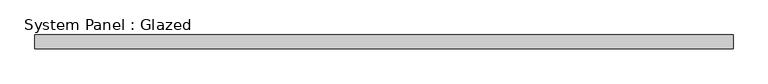
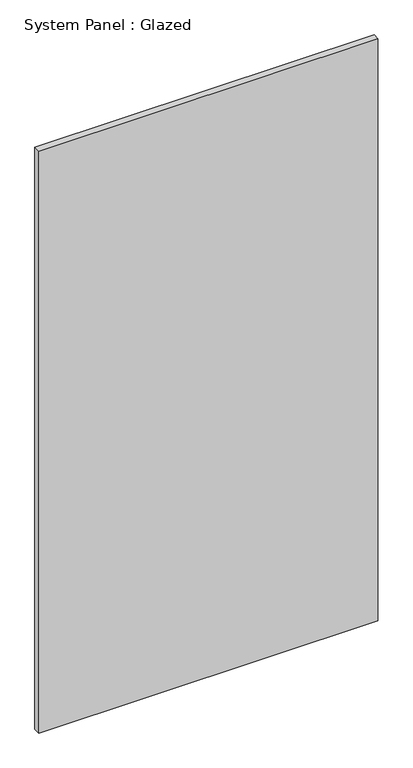
"""IFC4 building model written with IfcOpenShell, lengths in millimetres: plate geometry, System Panel : Glazed."""

import ifcopenshell
import ifcopenshell.guid

model = None  # the IFC model being written
_history = None  # IfcOwnerHistory: only IFC2X3 demands one
_inside = {}  # id of a spatial element -> (the spatial element, [elements in it])
_under = {}  # id of a project, library or spatial element -> (it, [spatial elements below it])
_declared = {}  # id of a project -> (the project, [libraries it declares])
_typed = {}  # id of a type object -> (the type object, [elements of that type])
_made_of = {}  # id of a material, layer set ... -> (it, [elements and type objects made of it])


def new_model(schema):
    """Start an empty IFC model of exactly this schema.

    Asked for "IFC4X3", IfcOpenShell would pick the latest addendum, in which some entities
    have other attributes; the version numbers below select the first issue.
    IFC2X3 requires an IfcOwnerHistory on every rooted entity: one is made here for all.
    """
    global model, _history
    if schema == "IFC4X3":
        model = ifcopenshell.file(schema_version=(4, 3, 0, 0))
    else:
        model = ifcopenshell.file(schema=schema)
    _inside.clear()
    _under.clear()
    _declared.clear()
    _typed.clear()
    _made_of.clear()
    _history = None
    if model.schema == "IFC2X3":
        org = make("IfcOrganization", Name="unknown")
        user = make(
            "IfcPersonAndOrganization",
            ThePerson=make("IfcPerson", FamilyName="unknown"),
            TheOrganization=org,
        )
        app = make(
            "IfcApplication",
            ApplicationDeveloper=org,
            Version="unknown",
            ApplicationFullName="unknown",
            ApplicationIdentifier="unknown",
        )
        _history = make(
            "IfcOwnerHistory",
            OwningUser=user,
            OwningApplication=app,
            ChangeAction="ADDED",
            CreationDate=0,
        )
    return model


def make(cls, **values):
    """One entity of the class cls with the attributes given. An attribute that is None is left unset."""
    return model.create_entity(
        cls, **{name: value for name, value in values.items() if value is not None}
    )


def rooted(cls, **values):
    """An entity with a GlobalId (a new one), such as an element, a storey or a relation."""
    return make(cls, GlobalId=ifcopenshell.guid.new(), OwnerHistory=_history, **values)


def si_unit(unit_type, name, prefix=None):
    """IfcSIUnit, for example si_unit("LENGTHUNIT", "METRE", prefix="MILLI")."""
    return make("IfcSIUnit", UnitType=unit_type, Prefix=prefix, Name=name)


def assignment(units):
    """IfcUnitAssignment: the units of a project."""
    return None if units is None else make("IfcUnitAssignment", Units=units)


def point(xyz):
    """IfcCartesianPoint."""
    return None if xyz is None else make("IfcCartesianPoint", Coordinates=xyz)


def direction(xyz):
    """IfcDirection."""
    return None if xyz is None else make("IfcDirection", DirectionRatios=xyz)


def frame(location, z_axis=None, x_axis=None):
    """IfcAxis2Placement3D, a coordinate frame: its origin and axes. An axis left out is left unset."""
    return make(
        "IfcAxis2Placement3D",
        Location=point(location),
        Axis=direction(z_axis),
        RefDirection=direction(x_axis),
    )


def origin():
    """The frame at (0, 0, 0) with its axes left unset."""
    return frame((0.0, 0.0, 0.0))


def origin_with_axes():
    """The frame at (0, 0, 0) with the z axis (0, 0, 1) and the x axis (1, 0, 0) written out."""
    return frame((0.0, 0.0, 0.0), z_axis=(0.0, 0.0, 1.0), x_axis=(1.0, 0.0, 0.0))


def place(relative_to, where):
    """IfcLocalPlacement: puts the frame where relative to a parent placement (None: the world)."""
    return make(
        "IfcLocalPlacement", PlacementRelTo=relative_to, RelativePlacement=where
    )


def context(
    kind, dimensions, precision=None, world=None, true_north=None, identifier=None
):
    """IfcGeometricRepresentationContext, for example the 3D "Model" context."""
    return make(
        "IfcGeometricRepresentationContext",
        ContextIdentifier=identifier,
        ContextType=kind,
        CoordinateSpaceDimension=dimensions,
        Precision=precision,
        WorldCoordinateSystem=world,
        TrueNorth=true_north,
    )


def project(units=None, contexts=None):
    """IfcProject with its units and contexts."""
    return rooted(
        "IfcProject",
        Name="project",
        RepresentationContexts=contexts,
        UnitsInContext=assignment(units),
    )


def spatial(cls, under=None, at=None, **own):
    """A site, building, storey or space (cls), placed at a placement, below another one or the project."""
    s = rooted(cls, ObjectPlacement=at, **own)
    if under is not None:
        _under.setdefault(under.id(), (under, []))[1].append(s)
    return s


def polyline(points):
    """IfcPolyline through the points."""
    return make("IfcPolyline", Points=[point(p) for p in points])


def outline(outer, holes=None, kind="AREA"):
    """IfcArbitraryClosedProfileDef: a profile drawn as a closed curve; with holes, ...WithVoids."""
    if holes is None:
        return make("IfcArbitraryClosedProfileDef", ProfileType=kind, OuterCurve=outer)
    return make(
        "IfcArbitraryProfileDefWithVoids",
        ProfileType=kind,
        OuterCurve=outer,
        InnerCurves=holes,
    )


def extrude(swept, where, along, depth):
    """IfcExtrudedAreaSolid: the profile swept, set in the frame where, extruded along a direction by depth."""
    return make(
        "IfcExtrudedAreaSolid",
        SweptArea=swept,
        Position=where,
        ExtrudedDirection=direction(along),
        Depth=depth,
    )


def shape(context_of_items, identifier, shape_type, items):
    """IfcShapeRepresentation: the items that make up one representation, for example the "Body"."""
    return make(
        "IfcShapeRepresentation",
        ContextOfItems=context_of_items,
        RepresentationIdentifier=identifier,
        RepresentationType=shape_type,
        Items=items,
    )


def source(mapping_origin, context_of_items, identifier, shape_type, items):
    """IfcRepresentationMap: a shape defined once, which mapped items show again and again."""
    return make(
        "IfcRepresentationMap",
        MappingOrigin=mapping_origin,
        MappedRepresentation=shape(context_of_items, identifier, shape_type, items),
    )


def transform(
    local_origin,
    x_axis=None,
    y_axis=None,
    z_axis=None,
    scale=None,
    scale2=None,
    scale3=None,
    uniform=True,
):
    """IfcCartesianTransformationOperator3D, or its non-uniform kind. x_axis, y_axis, z_axis: its Axis1, 2, 3."""
    if uniform:
        return make(
            "IfcCartesianTransformationOperator3D",
            Axis1=direction(x_axis),
            Axis2=direction(y_axis),
            LocalOrigin=point(local_origin),
            Scale=scale,
            Axis3=direction(z_axis),
        )
    return make(
        "IfcCartesianTransformationOperator3DnonUniform",
        Axis1=direction(x_axis),
        Axis2=direction(y_axis),
        LocalOrigin=point(local_origin),
        Scale=scale,
        Axis3=direction(z_axis),
        Scale2=scale2,
        Scale3=scale3,
    )


def mapped(mapping_source, mapping_target):
    """IfcMappedItem: shows the shape of a source again, moved by a transform."""
    return make(
        "IfcMappedItem", MappingSource=mapping_source, MappingTarget=mapping_target
    )


def made_of(thing, what):
    """Note that an element or type object is made of a material, layer set ...; save() writes the relation."""
    if what is not None:
        _made_of.setdefault(what.id(), (what, []))[1].append(thing)
    return thing


def element(
    cls,
    number,
    at=None,
    inside=None,
    cuts=None,
    type_object=None,
    material=None,
    context=None,
    identifier="Body",
    shape_type=None,
    held_by="IfcProductDefinitionShape",
    body=None,
    shapes=None,
    **own,
):
    """One element of the class cls, such as IfcWall. Its Tag is "e" and its number.

    at: its placement. inside: the storey or other place that contains it. cuts: it is an
    opening in that element (IfcRelVoidsElement). A single representation is given by context,
    identifier, shape_type and body (its items); several are given by shapes. held_by: the class
    of the entity that holds the representations. save() writes the other relations.
    """
    e = rooted(cls, Tag="e%d" % number, ObjectPlacement=at, **own)
    if body is not None:
        shapes = [shape(context, identifier, shape_type, body)]
    if shapes is not None:
        e.Representation = make(held_by, Representations=shapes)
    if inside is not None:
        _inside.setdefault(inside.id(), (inside, []))[1].append(e)
    if cuts is not None:
        rooted(
            "IfcRelVoidsElement", RelatingBuildingElement=cuts, RelatedOpeningElement=e
        )
    if type_object is not None:
        _typed.setdefault(type_object.id(), (type_object, []))[1].append(e)
    return made_of(e, material)


def aggregate(whole, parts):
    """IfcRelAggregates: a whole, such as a stair, and the parts it consists of."""
    return rooted("IfcRelAggregates", RelatingObject=whole, RelatedObjects=parts)


def save(model, path):
    """Write the relations noted so far, then the file.

    IfcRelAggregates (storeys below a building ...), IfcRelContainedInSpatialStructure (elements
    in a storey), IfcRelDefinesByType, IfcRelAssociatesMaterial and IfcRelDeclares: one each for
    every whole, place, type object, material and project.
    """
    for whole, parts in _under.values():
        aggregate(whole, parts)
    for where, things in _inside.values():
        rooted(
            "IfcRelContainedInSpatialStructure",
            RelatedElements=things,
            RelatingStructure=where,
        )
    for kind, things in _typed.values():
        rooted("IfcRelDefinesByType", RelatedObjects=things, RelatingType=kind)
    for what, things in _made_of.values():
        rooted("IfcRelAssociatesMaterial", RelatedObjects=things, RelatingMaterial=what)
    for by, libraries in _declared.values():
        rooted("IfcRelDeclares", RelatingContext=by, RelatedDefinitions=libraries)
    model.write(path)


def system_panel_glazed_6bafffae(model_context):
    return source(origin(), model_context, "Body", "SweptSolid", [
        extrude(outline(polyline([(640.625, 24.5), (-640.625, 24.5), (-640.625, 49.5), (640.625, 49.5), (640.625, 24.5)])), origin_with_axes(), (0.0, 0.0, 1.0), 2325.0),
    ])


if __name__ == "__main__":
    model = new_model("IFC4")
    model_context = context("Model", 3, world=origin())
    ifc_project = project(units=[si_unit("LENGTHUNIT", "METRE", prefix="MILLI")], contexts=[model_context])
    site = spatial("IfcSite", under=ifc_project)
    building = spatial("IfcBuilding", under=site)
    placement = place(None, origin())
    system_panel_glazed_shape = system_panel_glazed_6bafffae(model_context)
    element("IfcPlate", 1, ObjectType="System Panel : Glazed", at=placement, inside=building, context=model_context, shape_type="MappedRepresentation", body=[
        mapped(system_panel_glazed_shape, transform((0.0, 0.0, 0.0), x_axis=(1.0, 0.0, 0.0), y_axis=(0.0, 1.0, 0.0), z_axis=(0.0, 0.0, 1.0))),
    ])
    save(model, "model.ifc")
